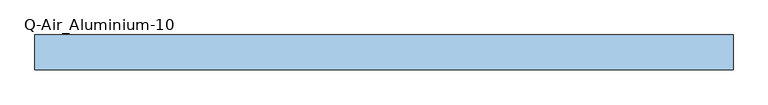
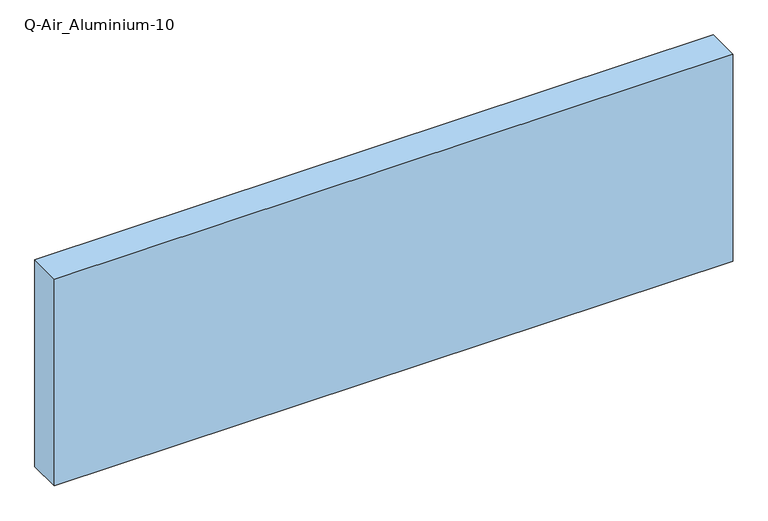
"""IFC4 building model written with IfcOpenShell, lengths in millimetres: window geometry, Q-Air_Aluminium-10."""

from ifc_helpers import new_model, si_unit, origin, origin_with_axes, place, context, project, spatial, polyline, outline, extrude, source, transform, mapped, element, save


def q_air_aluminium_10_a8d09ad7(model_context):
    return source(origin(), model_context, "Body", "SweptSolid", [
        extrude(outline(polyline([(1260.0, 0.0), (-1284.1, 0.0), (-1284.1, 127.0), (1260.0, 127.0), (1260.0, 0.0)])), origin_with_axes(), (0.0, 0.0, 1.0), 820.0),
    ])


if __name__ == "__main__":
    model = new_model("IFC4")
    model_context = context("Model", 3, world=origin())
    ifc_project = project(units=[si_unit("LENGTHUNIT", "METRE", prefix="MILLI")], contexts=[model_context])
    site = spatial("IfcSite", under=ifc_project)
    building = spatial("IfcBuilding", under=site)
    placement = place(None, origin())
    q_air_aluminium_10_shape = q_air_aluminium_10_a8d09ad7(model_context)
    element("IfcWindow", 1, ObjectType="Q-Air_Aluminium-10", at=placement, inside=building, context=model_context, shape_type="MappedRepresentation", body=[
        mapped(q_air_aluminium_10_shape, transform((0.0, 0.0, 0.0), x_axis=(1.0, 0.0, 0.0), y_axis=(0.0, 1.0, 0.0), z_axis=(0.0, 0.0, 1.0))),
    ])
    save(model, "model.ifc")
